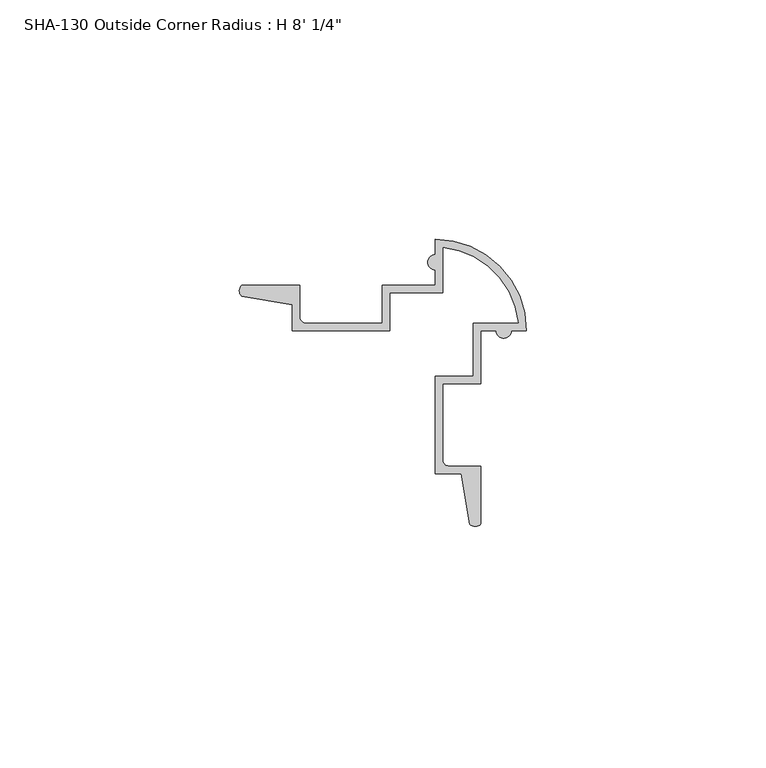
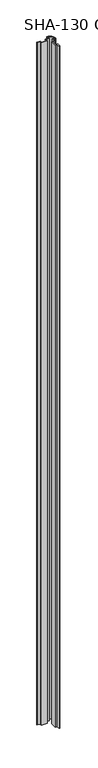
"""IFC4 building model written with IfcOpenShell, lengths in millimetres: proxy geometry."""

from ifc_helpers import new_model, si_unit, point, frame_2d, origin, origin_with_axes, place, context, project, spatial, polyline, circle_curve, trimmed, segment, composite_curve, outline, extrude, source, transform, mapped, element, save


def proxy_644cf6be(model_context):
    return source(origin(), model_context, "Body", "SweptSolid", [
        extrude(outline(composite_curve([segment(trimmed(circle_curve(frame_2d((10.5926257, 24.8891856)), 1.5748), [point((10.5926257, 23.3143856))], [point((10.5926257, 26.4639856))], False, "CARTESIAN"), True, "CONTINUOUS"), segment(polyline([(10.5926257, 26.4639856), (10.5926257, 29.6516856)]), True, "CONTINUOUS"), segment(trimmed(circle_curve(frame_2d((10.5926257, 10.6016856)), 19.05), [point((10.5926257, 29.6516856))], [point((29.6426257, 10.6016856))], False, "CARTESIAN"), True, "CONTINUOUS"), segment(polyline([(29.6426257, 10.6016856), (26.4549257, 10.6016856)]), True, "CONTINUOUS"), segment(trimmed(circle_curve(frame_2d((24.8801257, 10.6016856)), 1.5748), [point((26.4549257, 10.6016856))], [point((23.3053257, 10.6016856))], False, "CARTESIAN"), True, "CONTINUOUS"), segment(polyline([(23.3053257, 10.6016856), (20.1176257, 10.6016856), (20.1176257, -0.4981144), (12.1674257, -0.4981144), (12.1674257, -16.3945354)]), True, "CONTINUOUS"), segment(trimmed(circle_curve(frame_2d((13.4374257, -16.3945354)), 1.27), [point((12.1674257, -16.3945354))], [point((13.4374257, -17.6645354))], True, "CARTESIAN"), True, "CONTINUOUS"), segment(polyline([(13.4374257, -17.6645354), (20.1176257, -17.6645354), (20.1176257, -29.7493385)]), True, "CONTINUOUS"), segment(trimmed(circle_curve(frame_2d((18.9249492, -28.6585809)), 1.6162393), [point((20.1176257, -29.7493385))], [point((17.7962565, -29.8154223))], False, "CARTESIAN"), True, "CONTINUOUS"), segment(polyline([(17.7962565, -29.8154223), (15.9852827, -19.2393354), (10.5926257, -19.2393354), (10.5926257, 1.0766856), (18.5428257, 1.0766856), (18.5428257, 12.1764856), (27.9839716, 12.1764856)]), True, "CONTINUOUS"), segment(trimmed(circle_curve(frame_2d((10.5926257, 10.6016856)), 17.4625), [point((27.9839716, 12.1764856))], [point((12.1674257, 27.9930315))], True, "CARTESIAN"), True, "CONTINUOUS"), segment(polyline([(12.1674257, 27.9930315), (12.1674257, 18.5518856), (1.0676257, 18.5518856), (1.0676257, 10.6016856), (-19.2483953, 10.6016856), (-19.2483953, 15.9943426), (-29.8244822, 17.8053164)]), True, "CONTINUOUS"), segment(trimmed(circle_curve(frame_2d((-28.6676408, 18.9340091)), 1.6162393), [point((-29.8244822, 17.8053164))], [point((-29.7583984, 20.1266856))], False, "CARTESIAN"), True, "CONTINUOUS"), segment(polyline([(-29.7583984, 20.1266856), (-17.6735953, 20.1266856), (-17.6735953, 13.4464856)]), True, "CONTINUOUS"), segment(trimmed(circle_curve(frame_2d((-16.4035953, 13.4464856)), 1.27), [point((-17.6735953, 13.4464856))], [point((-16.4035953, 12.1764856))], True, "CARTESIAN"), True, "CONTINUOUS"), segment(polyline([(-16.4035953, 12.1764856), (-0.5071743, 12.1764856), (-0.5071743, 20.1266856), (10.5926257, 20.1266856), (10.5926257, 23.3143856)]), True, "CONTINUOUS")], self_intersect=False)), origin_with_axes(), (0.0, 0.0, 1.0), 2444.75),
    ])


if __name__ == "__main__":
    model = new_model("IFC4")
    model_context = context("Model", 3, world=origin())
    ifc_project = project(units=[si_unit("LENGTHUNIT", "METRE", prefix="MILLI")], contexts=[model_context])
    site = spatial("IfcSite", under=ifc_project)
    building = spatial("IfcBuilding", under=site)
    placement = place(None, origin())
    proxy_shape = proxy_644cf6be(model_context)
    element("IfcBuildingElementProxy", 1, Name="SHA-130 Outside Corner Radius : H 8' 1/4\"", ObjectType="SHA-130 Outside Corner Radius : H 8' 1/4\"", at=placement, inside=building, context=model_context, shape_type="MappedRepresentation", body=[
        mapped(proxy_shape, transform((0.0, 0.0, 0.0), x_axis=(1.0, 0.0, 0.0), y_axis=(0.0, 1.0, 0.0), z_axis=(0.0, 0.0, 1.0))),
    ])
    save(model, "model.ifc")
